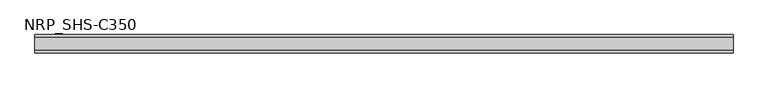
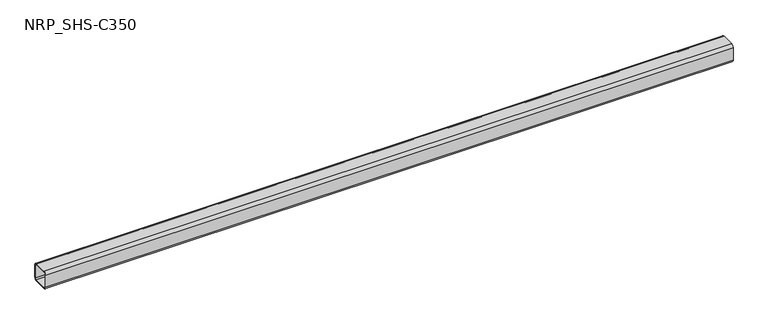
"""IFC4 building model written with IfcOpenShell, lengths in millimetres: member geometry, NRP_SHS-C350."""

from ifc_helpers import new_model, si_unit, point, frame, frame_2d, origin, place, context, project, spatial, polyline, circle_curve, trimmed, segment, composite_curve, outline, extrude, source, transform, mapped, element, save


def nrp_shs_c350_fb154902(model_context):
    return source(origin(), model_context, "Body", "SweptSolid", [
        extrude(outline(composite_curve([segment(trimmed(circle_curve(frame_2d((-32.0, 32.0)), 12.5), [point((-44.5, 32.0))], [point((-32.0, 44.5))], False, "CARTESIAN"), True, "CONTINUOUS"), segment(polyline([(-32.0, 44.5), (32.0, 44.5)]), True, "CONTINUOUS"), segment(trimmed(circle_curve(frame_2d((32.0, 32.0)), 12.5), [point((32.0, 44.5))], [point((44.5, 32.0))], False, "CARTESIAN"), True, "CONTINUOUS"), segment(polyline([(44.5, 32.0), (44.5, -32.0)]), True, "CONTINUOUS"), segment(trimmed(circle_curve(frame_2d((32.0, -32.0)), 12.5), [point((44.5, -32.0))], [point((32.0, -44.5))], False, "CARTESIAN"), True, "CONTINUOUS"), segment(polyline([(32.0, -44.5), (-32.0, -44.5)]), True, "CONTINUOUS"), segment(trimmed(circle_curve(frame_2d((-32.0, -32.0)), 12.5), [point((-32.0, -44.5))], [point((-44.5, -32.0))], False, "CARTESIAN"), True, "CONTINUOUS"), segment(polyline([(-44.5, -32.0), (-44.5, 32.0)]), True, "CONTINUOUS")], self_intersect=False), holes=[composite_curve([segment(polyline([(32.0, 39.5), (-32.0, 39.5)]), True, "CONTINUOUS"), segment(trimmed(circle_curve(frame_2d((-32.0, 32.0)), 7.5), [point((-32.0, 39.5))], [point((-39.5, 32.0))], True, "CARTESIAN"), True, "CONTINUOUS"), segment(polyline([(-39.5, 32.0), (-39.5, -32.0)]), True, "CONTINUOUS"), segment(trimmed(circle_curve(frame_2d((-32.0, -32.0)), 7.5), [point((-39.5, -32.0))], [point((-32.0, -39.5))], True, "CARTESIAN"), True, "CONTINUOUS"), segment(polyline([(-32.0, -39.5), (32.0, -39.5)]), True, "CONTINUOUS"), segment(trimmed(circle_curve(frame_2d((32.0, -32.0)), 7.5), [point((32.0, -39.5))], [point((39.5, -32.0))], True, "CARTESIAN"), True, "CONTINUOUS"), segment(polyline([(39.5, -32.0), (39.5, 32.0)]), True, "CONTINUOUS"), segment(trimmed(circle_curve(frame_2d((32.0, 32.0)), 7.5), [point((39.5, 32.0))], [point((32.0, 39.5))], True, "CARTESIAN"), True, "CONTINUOUS")], self_intersect=False)]), frame((-1702.0, 0.0, 0.0), z_axis=(1.0, 0.0, 0.0), x_axis=(0.0, 1.0, 0.0)), (0.0, 0.0, 1.0), 3359.0),
    ])


if __name__ == "__main__":
    model = new_model("IFC4")
    model_context = context("Model", 3, world=origin())
    ifc_project = project(units=[si_unit("LENGTHUNIT", "METRE", prefix="MILLI")], contexts=[model_context])
    site = spatial("IfcSite", under=ifc_project)
    building = spatial("IfcBuilding", under=site)
    placement = place(None, origin())
    nrp_shs_c350_shape = nrp_shs_c350_fb154902(model_context)
    element("IfcMember", 1, ObjectType="NRP_SHS-C350", at=placement, inside=building, context=model_context, shape_type="MappedRepresentation", body=[
        mapped(nrp_shs_c350_shape, transform((0.0, 0.0, 0.0), x_axis=(1.0, 0.0, 0.0), y_axis=(0.0, 1.0, 0.0), z_axis=(0.0, 0.0, 1.0))),
    ])
    save(model, "model.ifc")
